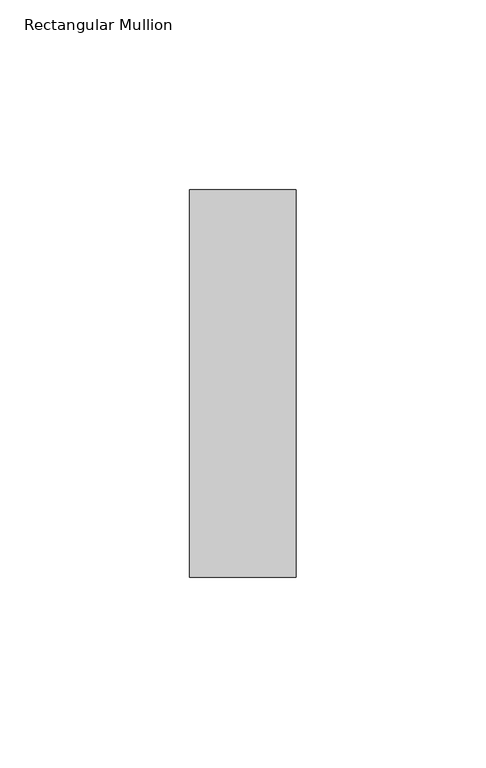
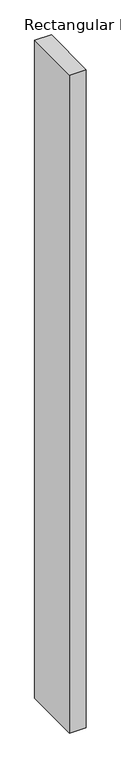
"""IFC4 building model written with IfcOpenShell, lengths in millimetres: member geometry, Rectangular Mullion."""

from ifc_helpers import new_model, si_unit, frame, origin, place, context, project, spatial, polyline, outline, extrude, source, transform, mapped, element, save


def rectangular_mullion_518f940d(model_context):
    return source(origin(), model_context, "Body", "SweptSolid", [
        extrude(outline(polyline([(0.0, -51.0), (-28.0, -51.0), (-28.0, 51.0), (0.0, 51.0), (0.0, -51.0)])), frame((0.0, 0.0, -1172.0), z_axis=(0.0, 0.0, 1.0), x_axis=(1.0, 0.0, 0.0)), (0.0, 0.0, 1.0), 1172.0),
    ])


if __name__ == "__main__":
    model = new_model("IFC4")
    model_context = context("Model", 3, world=origin())
    ifc_project = project(units=[si_unit("LENGTHUNIT", "METRE", prefix="MILLI")], contexts=[model_context])
    site = spatial("IfcSite", under=ifc_project)
    building = spatial("IfcBuilding", under=site)
    placement = place(None, origin())
    rectangular_mullion_shape = rectangular_mullion_518f940d(model_context)
    element("IfcMember", 1, ObjectType="Rectangular Mullion", at=placement, inside=building, context=model_context, shape_type="MappedRepresentation", body=[
        mapped(rectangular_mullion_shape, transform((0.0, 0.0, 0.0), x_axis=(1.0, 0.0, 0.0), y_axis=(0.0, 1.0, 0.0), z_axis=(0.0, 0.0, 1.0))),
    ])
    save(model, "model.ifc")
